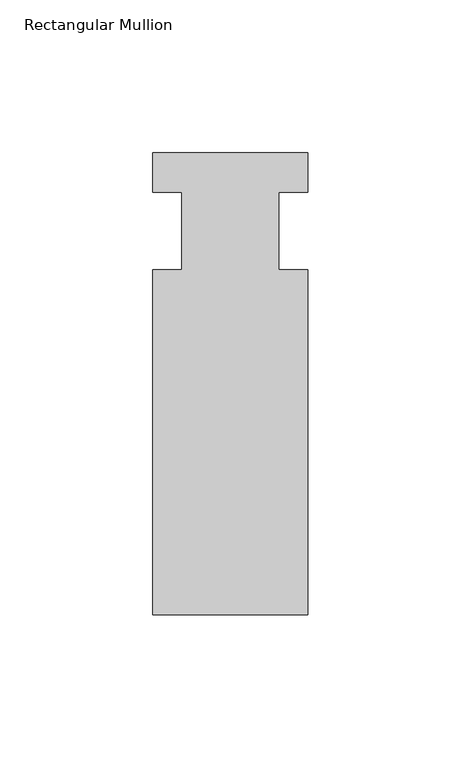
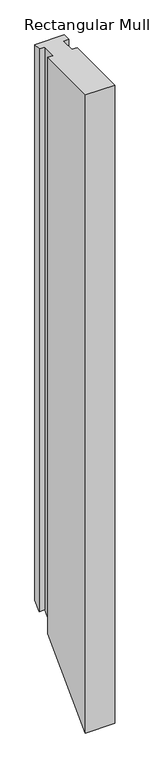
"""IFC4 building model written with IfcOpenShell, lengths in millimetres: member geometry, Rectangular Mullion."""

from ifc_helpers import new_model, si_unit, origin, place, context, project, spatial, faceted_brep, source, transform, mapped, element, save


def rectangular_mullion_5e999b9f(model_context):
    return source(origin(), model_context, "Body", "Brep", [
        faceted_brep([(-25.4, 25.5984375, 0.0), (-25.4, 12.7, 0.0), (-15.875, 12.7, 0.0), (-15.875, -12.7, 0.0), (-25.4, -12.7, 0.0), (-25.4, -125.6109375, 0.0), (25.4, -125.6109375, 0.0), (25.4, -12.7, 0.0), (15.875, -12.7, 0.0), (15.875, 12.7, 0.0), (25.4, 12.7, 0.0), (25.4, 25.5984375, 0.0), (-25.4, 25.5984375, -1015.8015625), (-25.4, 12.7, -1028.7), (-15.875, 12.7, -1028.7), (-15.875, -12.7, -1054.1), (-25.4, -12.7, -1054.1), (-25.4, -125.6109375, -1167.0109375), (25.4, -125.6109375, -1167.0109375), (25.4, -12.7, -1054.1), (15.875, -12.7, -1054.1), (15.875, 12.7, -1028.7), (25.4, 12.7, -1028.7), (25.4, 25.5984375, -1015.8015625)], [[[0, 1, 2, 3, 4, 5, 6, 7, 8, 9, 10, 11]], [[1, 0, 12, 13]], [[2, 1, 13, 14]], [[3, 2, 14, 15]], [[4, 3, 15, 16]], [[5, 4, 16, 17]], [[6, 5, 17, 18]], [[7, 6, 18, 19]], [[8, 7, 19, 20]], [[9, 8, 20, 21]], [[10, 9, 21, 22]], [[11, 10, 22, 23]], [[0, 11, 23, 12]], [[12, 23, 22, 21, 20, 19, 18, 17, 16, 15, 14, 13]]]),
    ])


if __name__ == "__main__":
    model = new_model("IFC4")
    model_context = context("Model", 3, world=origin())
    ifc_project = project(units=[si_unit("LENGTHUNIT", "METRE", prefix="MILLI")], contexts=[model_context])
    site = spatial("IfcSite", under=ifc_project)
    building = spatial("IfcBuilding", under=site)
    placement = place(None, origin())
    rectangular_mullion_shape = rectangular_mullion_5e999b9f(model_context)
    element("IfcMember", 1, ObjectType="Rectangular Mullion", at=placement, inside=building, context=model_context, shape_type="MappedRepresentation", body=[
        mapped(rectangular_mullion_shape, transform((0.0, 0.0, 0.0), x_axis=(1.0, 0.0, 0.0), y_axis=(0.0, 1.0, 0.0), z_axis=(0.0, 0.0, 1.0))),
    ])
    save(model, "model.ifc")
